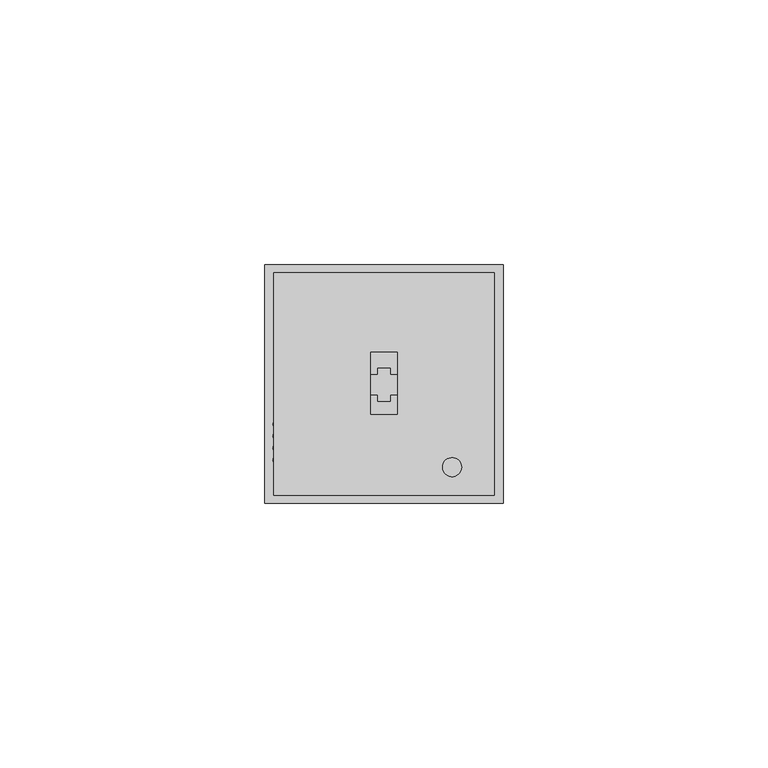
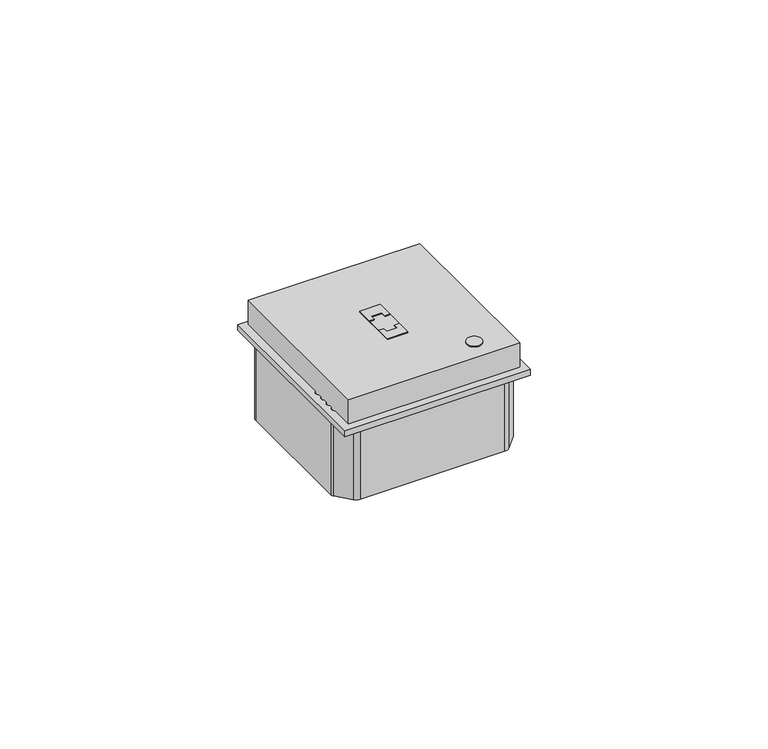
"""IFC4 building model written with IfcOpenShell, lengths in millimetres: proxy geometry."""

from ifc_helpers import new_model, si_unit, point, frame, frame_2d, origin, origin_with_axes, place, context, project, spatial, polyline, circle_curve, trimmed, segment, composite_curve, outline, extrude, source, transform, mapped, element, save


def electrical_fixtures_cb57054f(model_context):
    return source(origin(), model_context, "Body", "SweptSolid", [
        extrude(outline(polyline([(19.9999893, 24.3513884), (19.9999893, 28.4523161), (24.9999893, 28.4523161), (24.9999893, 24.3513884), (23.7790753, 24.3513884), (23.7790753, 25.557797), (21.2209247, 25.557797), (21.2209247, 24.3513884), (19.9999893, 24.3513884)])), frame((0.0, 0.0, 1.5), z_axis=(0.0, 0.0, 1.0), x_axis=(1.0, 0.0, 0.0)), (0.0, 0.0, 1.0), 6.5),
        extrude(outline(polyline([(24.9999893, 20.3361116), (24.9999893, 16.8005777), (19.9999893, 16.8005777), (19.9999893, 20.3361116), (21.2209247, 20.3361116), (21.2209247, 19.129703), (23.7790753, 19.129703), (23.7790753, 20.3361116), (24.9999893, 20.3361116)])), frame((0.0, 0.0, 1.5), z_axis=(0.0, 0.0, 1.0), x_axis=(1.0, 0.0, 0.0)), (0.0, 0.0, 1.0), 6.5),
        extrude(outline(composite_curve([segment(trimmed(circle_curve(frame_2d((35.3558116, 6.8136756)), 1.8), [point((33.5558116, 6.8136756))], [point((37.1558116, 6.8136756))], False, "CARTESIAN"), True, "CONTINUOUS"), segment(trimmed(circle_curve(frame_2d((35.3558116, 6.8136756)), 1.8), [point((37.1558116, 6.8136756))], [point((33.5558116, 6.8136756))], False, "CARTESIAN"), True, "CONTINUOUS")], self_intersect=False)), frame((0.0, 0.0, 1.5), z_axis=(0.0, 0.0, 1.0), x_axis=(1.0, 0.0, 0.0)), (0.0, 0.0, 1.0), 6.5),
        extrude(outline(polyline([(19.9999893, 24.3513884), (21.2209247, 24.3513884), (21.2209247, 25.557797), (23.7790753, 25.557797), (23.7790753, 24.3513884), (24.9999893, 24.3513884), (24.9999893, 20.3361116), (23.7790753, 20.3361116), (23.7790753, 19.129703), (21.2209247, 19.129703), (21.2209247, 20.3361116), (19.9999893, 20.3361116), (19.9999893, 24.3513884)])), origin_with_axes(), (0.0, 0.0, 1.0), 8.0),
        extrude(outline(composite_curve([segment(trimmed(circle_curve(frame_2d((22.9785709, 22.0163771)), 28.0250427), [point((0.6708855, 38.9801677))], [point((3.6496058, 42.3090883))], False, "CARTESIAN"), True, "CONTINUOUS"), segment(trimmed(circle_curve(frame_2d((5.0058625, 40.8852084)), 1.9664349), [point((3.6496058, 42.3090883))], [point((5.0058625, 42.8516432))], False, "CARTESIAN"), True, "CONTINUOUS"), segment(polyline([(5.0058625, 42.8516432), (39.9941375, 42.8516432)]), True, "CONTINUOUS"), segment(trimmed(circle_curve(frame_2d((39.9941375, 40.8852084)), 1.9664349), [point((39.9941375, 42.8516432))], [point((41.3503942, 42.3090883))], False, "CARTESIAN"), True, "CONTINUOUS"), segment(trimmed(circle_curve(frame_2d((22.0214291, 22.0163771)), 28.0250427), [point((41.3503942, 42.3090883))], [point((44.3291145, 38.9801677))], False, "CARTESIAN"), True, "CONTINUOUS"), segment(trimmed(circle_curve(frame_2d((43.3665201, 38.2481666)), 1.2093029), [point((44.3291145, 38.9801677))], [point((44.575823, 38.2481666))], False, "CARTESIAN"), True, "CONTINUOUS"), segment(polyline([(44.575823, 38.2481666), (44.575823, 6.7518334)]), True, "CONTINUOUS"), segment(trimmed(circle_curve(frame_2d((43.3665201, 6.7518334)), 1.2093029), [point((44.575823, 6.7518334))], [point((44.3291145, 6.0198323))], False, "CARTESIAN"), True, "CONTINUOUS"), segment(trimmed(circle_curve(frame_2d((22.0214291, 22.9836229)), 28.0250427), [point((44.3291145, 6.0198323))], [point((41.3503942, 2.6909117))], False, "CARTESIAN"), True, "CONTINUOUS"), segment(trimmed(circle_curve(frame_2d((39.9941375, 4.1147916)), 1.9664349), [point((41.3503942, 2.6909117))], [point((39.9941375, 2.1483568))], False, "CARTESIAN"), True, "CONTINUOUS"), segment(polyline([(39.9941375, 2.1483568), (5.0058625, 2.1483568)]), True, "CONTINUOUS"), segment(trimmed(circle_curve(frame_2d((5.0058625, 4.1147916)), 1.9664349), [point((5.0058625, 2.1483568))], [point((3.6496058, 2.6909117))], False, "CARTESIAN"), True, "CONTINUOUS"), segment(trimmed(circle_curve(frame_2d((22.9785709, 22.9836229)), 28.0250427), [point((3.6496058, 2.6909117))], [point((0.6708855, 6.0198323))], False, "CARTESIAN"), True, "CONTINUOUS"), segment(trimmed(circle_curve(frame_2d((1.6334799, 6.7518334)), 1.2093029), [point((0.6708855, 6.0198323))], [point((0.424177, 6.7518334))], False, "CARTESIAN"), True, "CONTINUOUS"), segment(polyline([(0.424177, 6.7518334), (0.424177, 38.2481666)]), True, "CONTINUOUS"), segment(trimmed(circle_curve(frame_2d((1.6334799, 38.2481666)), 1.2093029), [point((0.424177, 38.2481666))], [point((0.6708855, 38.9801677))], False, "CARTESIAN"), True, "CONTINUOUS")], self_intersect=False)), frame((0.0, 0.0, -19.1037674), z_axis=(0.0, 0.0, 1.0), x_axis=(1.0, 0.0, 0.0)), (0.0, 0.0, 1.0), 19.1037674),
        extrude(outline(polyline([(0.0, 0.0), (0.0, 45.0), (45.0, 45.0), (45.0, 0.0), (0.0, 0.0)]), holes=[composite_curve([segment(trimmed(circle_curve(frame_2d((2.3436404, 14.8960808)), 0.8), [point((1.5436404, 14.8960808))], [point((3.1436404, 14.8960808))], True, "CARTESIAN"), True, "CONTINUOUS"), segment(trimmed(circle_curve(frame_2d((2.3436404, 14.8960808)), 0.8), [point((3.1436404, 14.8960808))], [point((1.5436404, 14.8960808))], True, "CARTESIAN"), True, "CONTINUOUS")], self_intersect=False), composite_curve([segment(trimmed(circle_curve(frame_2d((2.3436404, 12.6406375)), 0.8), [point((1.5436404, 12.6406375))], [point((3.1436404, 12.6406375))], True, "CARTESIAN"), True, "CONTINUOUS"), segment(trimmed(circle_curve(frame_2d((2.3436404, 12.6406375)), 0.8), [point((3.1436404, 12.6406375))], [point((1.5436404, 12.6406375))], True, "CARTESIAN"), True, "CONTINUOUS")], self_intersect=False), composite_curve([segment(trimmed(circle_curve(frame_2d((2.3436404, 10.3851943)), 0.8), [point((1.5436404, 10.3851943))], [point((3.1436404, 10.3851943))], True, "CARTESIAN"), True, "CONTINUOUS"), segment(trimmed(circle_curve(frame_2d((2.3436404, 10.3851943)), 0.8), [point((3.1436404, 10.3851943))], [point((1.5436404, 10.3851943))], True, "CARTESIAN"), True, "CONTINUOUS")], self_intersect=False), composite_curve([segment(trimmed(circle_curve(frame_2d((2.3436404, 8.129751)), 0.8), [point((1.5436404, 8.129751))], [point((3.1436404, 8.129751))], True, "CARTESIAN"), True, "CONTINUOUS"), segment(trimmed(circle_curve(frame_2d((2.3436404, 8.129751)), 0.8), [point((3.1436404, 8.129751))], [point((1.5436404, 8.129751))], True, "CARTESIAN"), True, "CONTINUOUS")], self_intersect=False)]), origin_with_axes(), (0.0, 0.0, 1.0), 1.5),
        extrude(outline(polyline([(1.685, 43.5), (43.315, 43.5), (43.315, 1.4684706), (1.685, 1.4684706), (1.685, 43.5)]), holes=[composite_curve([segment(trimmed(circle_curve(frame_2d((35.3558116, 6.8136756)), 1.8), [point((33.5558116, 6.8136756))], [point((37.1558116, 6.8136756))], True, "CARTESIAN"), True, "CONTINUOUS"), segment(trimmed(circle_curve(frame_2d((35.3558116, 6.8136756)), 1.8), [point((37.1558116, 6.8136756))], [point((33.5558116, 6.8136756))], True, "CARTESIAN"), True, "CONTINUOUS")], self_intersect=False), polyline([(19.9999893, 16.8005777), (24.9999893, 16.8005777), (24.9999893, 28.4523161), (19.9999893, 28.4523161), (19.9999893, 16.8005777)])]), frame((0.0, 0.0, 1.5), z_axis=(0.0, 0.0, 1.0), x_axis=(1.0, 0.0, 0.0)), (0.0, 0.0, 1.0), 6.5),
    ])


if __name__ == "__main__":
    model = new_model("IFC4")
    model_context = context("Model", 3, world=origin())
    ifc_project = project(units=[si_unit("LENGTHUNIT", "METRE", prefix="MILLI")], contexts=[model_context])
    site = spatial("IfcSite", under=ifc_project)
    building = spatial("IfcBuilding", under=site)
    placement = place(None, origin())
    electrical_fixtures_shape = electrical_fixtures_cb57054f(model_context)
    element("IfcBuildingElementProxy", 1, Name="Electrical Fixtures", at=placement, inside=building, context=model_context, shape_type="MappedRepresentation", body=[
        mapped(electrical_fixtures_shape, transform((0.0, 0.0, 0.0), x_axis=(1.0, 0.0, 0.0), y_axis=(0.0, 1.0, 0.0), z_axis=(0.0, 0.0, 1.0))),
    ])
    save(model, "model.ifc")
